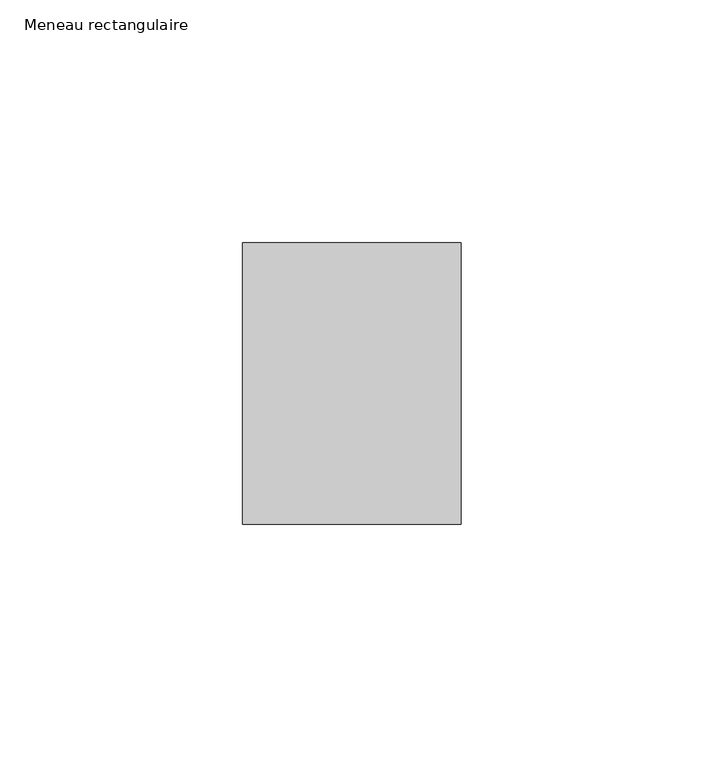
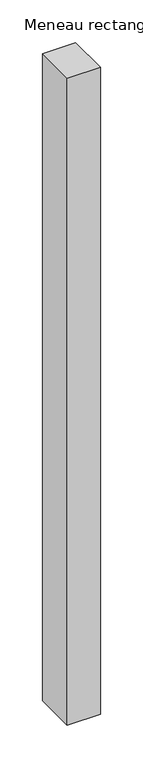
"""IFC4 building model written with IfcOpenShell, lengths in millimetres: member geometry, Meneau rectangulaire."""

from ifc_helpers import new_model, si_unit, frame, origin, place, context, project, spatial, polyline, outline, extrude, source, transform, mapped, element, save


def meneau_rectangulaire_3b089fa6(model_context):
    return source(origin(), model_context, "Body", "SweptSolid", [
        extrude(outline(polyline([(-45.0, 29.0), (0.0, 29.0), (0.0, -29.0), (-45.0, -29.0), (-45.0, 29.0)])), frame((0.0, 0.0, -925.5040491), z_axis=(0.0, 0.0, 1.0), x_axis=(1.0, 0.0, 0.0)), (0.0, 0.0, 1.0), 925.5040491),
    ])


if __name__ == "__main__":
    model = new_model("IFC4")
    model_context = context("Model", 3, world=origin())
    ifc_project = project(units=[si_unit("LENGTHUNIT", "METRE", prefix="MILLI")], contexts=[model_context])
    site = spatial("IfcSite", under=ifc_project)
    building = spatial("IfcBuilding", under=site)
    placement = place(None, origin())
    meneau_rectangulaire_shape = meneau_rectangulaire_3b089fa6(model_context)
    element("IfcMember", 1, ObjectType="Meneau rectangulaire", at=placement, inside=building, context=model_context, shape_type="MappedRepresentation", body=[
        mapped(meneau_rectangulaire_shape, transform((0.0, 0.0, 0.0), x_axis=(1.0, 0.0, 0.0), y_axis=(0.0, 1.0, 0.0), z_axis=(0.0, 0.0, 1.0))),
    ])
    save(model, "model.ifc")
